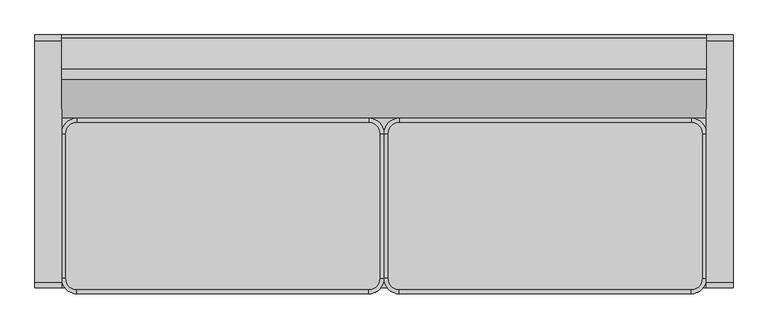
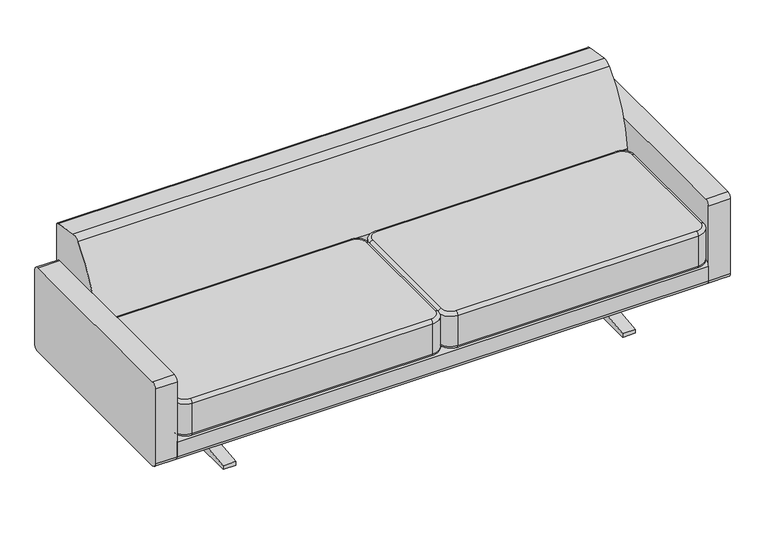
"""IFC4 building model written with IfcOpenShell, lengths in millimetres: furniture geometry."""

from ifc_helpers import new_model, si_unit, point, frame, frame_2d, origin, place, context, project, spatial, polyline, circle_curve, ellipse_curve, trimmed, segment, composite_curve, outline, extrude, source, transform, mapped, element, save
from ifc_brep_helpers import plane_surface, cylinder_surface, revolved_surface, advanced_brep


def furniture_1e4dd1b5(model_context):
    return source(origin(), model_context, "Body", "SolidModel", [
        advanced_brep(
        [(320.675, 153.1137584, 291.1992435), (269.875, 102.3137584, 291.1992435), (269.875, 102.3137584, 419.864682), (320.675, 153.1137584, 419.864682), (320.675, 140.4137584, 278.4992435), (282.575, 102.3137584, 278.4992435), (282.575, 102.3137584, 432.564682), (320.675, 140.4137584, 432.564682), (1295.4, 153.1137584, 419.864682), (1295.4, 153.1137584, 291.1992435), (1295.4, 140.4137584, 278.4992435), (1295.4, 140.4137584, 432.564682), (1346.2, 102.3137584, 419.864682), (1346.2, 102.3137584, 291.1992435), (1333.5, 102.3137584, 278.4992435), (1333.5, 102.3137584, 432.564682), (1346.2, -381.0, 419.864682), (1346.2, -381.0, 291.1992435), (1333.5, -381.0, 278.4992435), (1333.5, -381.0, 432.564682), (1295.4, -431.8, 419.864682), (1295.4, -431.8, 291.1992435), (1295.4, -419.1, 278.4992435), (1295.4, -419.1, 432.564682), (320.675, -431.8, 419.864682), (320.675, -431.8, 291.1992435), (320.675, -419.1, 278.4992435), (320.675, -419.1, 432.564682), (269.875, -381.0, 419.864682), (269.875, -381.0, 291.1992435), (282.575, -381.0, 278.4992435), (282.575, -381.0, 432.564682)],
        [
            (0, 1, circle_curve(frame((320.675, 102.3137584, 291.1992435), z_axis=(0.0, 0.0, 1.0), x_axis=(-1.0, 0.0, 0.0)), 50.8)),
            (1, 2),
            (2, 3, circle_curve(frame((320.675, 102.3137584, 419.864682), z_axis=(0.0, 0.0, -1.0), x_axis=(-1.0, 0.0, 0.0)), 50.8)),
            (3, 0),
            (0, 4, circle_curve(frame((320.675, 140.4137584, 291.1992435), z_axis=(-1.0, 0.0, 0.0), x_axis=(0.0, 1.0, 0.0)), 12.7)),
            (4, 5, circle_curve(frame((320.675, 102.3137584, 278.4992435), z_axis=(0.0, 0.0, 1.0), x_axis=(-1.0, 0.0, 0.0)), 38.1)),
            (5, 1, circle_curve(frame((282.575, 102.3137584, 291.1992435), z_axis=(0.0, 1.0, 0.0), x_axis=(-1.0, 0.0, 0.0)), 12.7)),
            (2, 6, circle_curve(frame((282.575, 102.3137584, 419.864682), z_axis=(0.0, 1.0, 0.0), x_axis=(-1.0, 0.0, 0.0)), 12.7)),
            (6, 7, circle_curve(frame((320.675, 102.3137584, 432.564682), z_axis=(0.0, 0.0, -1.0), x_axis=(-1.0, 0.0, 0.0)), 38.1)),
            (7, 3, circle_curve(frame((320.675, 140.4137584, 419.864682), z_axis=(-1.0, 0.0, 0.0), x_axis=(0.0, 1.0, 0.0)), 12.7)),
            (3, 8),
            (8, 9),
            (9, 0),
            (9, 10, circle_curve(frame((1295.4, 140.4137584, 291.1992435), z_axis=(-1.0, 0.0, 0.0), x_axis=(0.0, 1.0, 0.0)), 12.7)),
            (10, 4),
            (7, 11),
            (11, 8, circle_curve(frame((1295.4, 140.4137584, 419.864682), z_axis=(-1.0, 0.0, 0.0), x_axis=(0.0, 1.0, 0.0)), 12.7)),
            (8, 12, circle_curve(frame((1295.4, 102.3137584, 419.864682), z_axis=(0.0, 0.0, -1.0), x_axis=(0.0, 1.0, 0.0)), 50.8)),
            (12, 13),
            (13, 9, circle_curve(frame((1295.4, 102.3137584, 291.1992435), z_axis=(0.0, 0.0, 1.0), x_axis=(0.0, 1.0, 0.0)), 50.8)),
            (13, 14, circle_curve(frame((1333.5, 102.3137584, 291.1992435), z_axis=(0.0, 1.0, 0.0), x_axis=(1.0, 0.0, 0.0)), 12.7)),
            (14, 10, circle_curve(frame((1295.4, 102.3137584, 278.4992435), z_axis=(0.0, 0.0, 1.0), x_axis=(0.0, 1.0, 0.0)), 38.1)),
            (11, 15, circle_curve(frame((1295.4, 102.3137584, 432.564682), z_axis=(0.0, 0.0, -1.0), x_axis=(0.0, 1.0, 0.0)), 38.1)),
            (15, 12, circle_curve(frame((1333.5, 102.3137584, 419.864682), z_axis=(0.0, 1.0, 0.0), x_axis=(1.0, 0.0, 0.0)), 12.7)),
            (12, 16),
            (16, 17),
            (17, 13),
            (17, 18, circle_curve(frame((1333.5, -381.0, 291.1992435), z_axis=(0.0, 1.0, 0.0), x_axis=(1.0, 0.0, 0.0)), 12.7)),
            (18, 14),
            (15, 19),
            (19, 16, circle_curve(frame((1333.5, -381.0, 419.864682), z_axis=(0.0, 1.0, 0.0), x_axis=(1.0, 0.0, 0.0)), 12.7)),
            (16, 20, circle_curve(frame((1295.4, -381.0, 419.864682), z_axis=(0.0, 0.0, -1.0), x_axis=(1.0, 0.0, 0.0)), 50.8)),
            (20, 21),
            (21, 17, circle_curve(frame((1295.4, -381.0, 291.1992435), z_axis=(0.0, 0.0, 1.0), x_axis=(1.0, 0.0, 0.0)), 50.8)),
            (21, 22, circle_curve(frame((1295.4, -419.1, 291.1992435), z_axis=(1.0, 0.0, 0.0), x_axis=(0.0, -1.0, 0.0)), 12.7)),
            (22, 18, circle_curve(frame((1295.4, -381.0, 278.4992435), z_axis=(0.0, 0.0, 1.0), x_axis=(1.0, 0.0, 0.0)), 38.1)),
            (19, 23, circle_curve(frame((1295.4, -381.0, 432.564682), z_axis=(0.0, 0.0, -1.0), x_axis=(1.0, 0.0, 0.0)), 38.1)),
            (23, 20, circle_curve(frame((1295.4, -419.1, 419.864682), z_axis=(1.0, 0.0, 0.0), x_axis=(0.0, -1.0, 0.0)), 12.7)),
            (20, 24),
            (24, 25),
            (25, 21),
            (25, 26, circle_curve(frame((320.675, -419.1, 291.1992435), z_axis=(1.0, 0.0, 0.0), x_axis=(0.0, -1.0, 0.0)), 12.7)),
            (26, 22),
            (23, 27),
            (27, 24, circle_curve(frame((320.675, -419.1, 419.864682), z_axis=(1.0, 0.0, 0.0), x_axis=(0.0, -1.0, 0.0)), 12.7)),
            (24, 28, circle_curve(frame((320.675, -381.0, 419.864682), z_axis=(0.0, 0.0, -1.0), x_axis=(0.0, -1.0, 0.0)), 50.8)),
            (28, 29),
            (29, 25, circle_curve(frame((320.675, -381.0, 291.1992435), z_axis=(0.0, 0.0, 1.0), x_axis=(0.0, -1.0, 0.0)), 50.8)),
            (29, 30, circle_curve(frame((282.575, -381.0, 291.1992435), z_axis=(0.0, -1.0, 0.0), x_axis=(-1.0, 0.0, 0.0)), 12.7)),
            (30, 26, circle_curve(frame((320.675, -381.0, 278.4992435), z_axis=(0.0, 0.0, 1.0), x_axis=(0.0, -1.0, 0.0)), 38.1)),
            (27, 31, circle_curve(frame((320.675, -381.0, 432.564682), z_axis=(0.0, 0.0, -1.0), x_axis=(0.0, -1.0, 0.0)), 38.1)),
            (31, 28, circle_curve(frame((282.575, -381.0, 419.864682), z_axis=(0.0, -1.0, 0.0), x_axis=(-1.0, 0.0, 0.0)), 12.7)),
            (1, 29),
            (28, 2),
            (5, 30),
            (31, 6),
        ],
        [
            cylinder_surface(frame((320.675, 102.3137584, 432.564682), z_axis=(0.0, 0.0, -1.0), x_axis=(-1.0, 0.0, 0.0)), 50.8),
            revolved_surface(trimmed(ellipse_curve(frame((282.575, 102.3137584, 291.1992435), z_axis=(0.0, -1.0, 0.0), x_axis=(-1.0, 0.0, 0.0)), 12.7, 12.7), [point((269.875, 102.3137584, 291.1992435))], [point((282.575, 102.3137584, 278.4992435))], True, "CARTESIAN"), (320.675, 102.3137584, 432.564682), (0.0, 0.0, -1.0)),
            revolved_surface(trimmed(ellipse_curve(frame((282.575, 102.3137584, 419.864682), z_axis=(0.0, -1.0, 0.0), x_axis=(-1.0, 0.0, 0.0)), 12.7, 12.7), [point((282.575, 102.3137584, 432.564682))], [point((269.875, 102.3137584, 419.864682))], True, "CARTESIAN"), (320.675, 102.3137584, 432.564682), (0.0, 0.0, -1.0)),
            plane_surface(frame((320.675, 153.1137584, 419.864682), z_axis=(0.0, 1.0, 0.0), x_axis=(1.0, 0.0, 0.0))),
            cylinder_surface(frame((320.675, 140.4137584, 291.1992435), z_axis=(-1.0, 0.0, 0.0), x_axis=(0.0, 1.0, 0.0)), 12.7),
            cylinder_surface(frame((320.675, 140.4137584, 419.864682), z_axis=(-1.0, 0.0, 0.0), x_axis=(0.0, 1.0, 0.0)), 12.7),
            cylinder_surface(frame((1295.4, 102.3137584, 432.564682), z_axis=(0.0, 0.0, -1.0), x_axis=(0.0, 1.0, 0.0)), 50.8),
            revolved_surface(trimmed(ellipse_curve(frame((1295.4, 140.4137584, 291.1992435), z_axis=(-1.0, 0.0, 0.0), x_axis=(0.0, 1.0, 0.0)), 12.7, 12.7), [point((1295.4, 153.1137584, 291.1992435))], [point((1295.4, 140.4137584, 278.4992435))], True, "CARTESIAN"), (1295.4, 102.3137584, 432.564682), (0.0, 0.0, -1.0)),
            revolved_surface(trimmed(ellipse_curve(frame((1295.4, 140.4137584, 419.864682), z_axis=(-1.0, 0.0, 0.0), x_axis=(0.0, 1.0, 0.0)), 12.7, 12.7), [point((1295.4, 140.4137584, 432.564682))], [point((1295.4, 153.1137584, 419.864682))], True, "CARTESIAN"), (1295.4, 102.3137584, 432.564682), (0.0, 0.0, -1.0)),
            plane_surface(frame((1346.2, 102.3137584, 419.864682), z_axis=(1.0, 0.0, 0.0), x_axis=(0.0, -1.0, 0.0))),
            cylinder_surface(frame((1333.5, 102.3137584, 291.1992435), z_axis=(0.0, 1.0, 0.0), x_axis=(1.0, 0.0, 0.0)), 12.7),
            cylinder_surface(frame((1333.5, 102.3137584, 419.864682), z_axis=(0.0, 1.0, 0.0), x_axis=(1.0, 0.0, 0.0)), 12.7),
            cylinder_surface(frame((1295.4, -381.0, 432.564682), z_axis=(0.0, 0.0, -1.0), x_axis=(1.0, 0.0, 0.0)), 50.8),
            revolved_surface(trimmed(ellipse_curve(frame((1333.5, -381.0, 291.1992435), z_axis=(0.0, 1.0, 0.0), x_axis=(1.0, 0.0, 0.0)), 12.7, 12.7), [point((1346.2, -381.0, 291.1992435))], [point((1333.5, -381.0, 278.4992435))], True, "CARTESIAN"), (1295.4, -381.0, 432.564682), (0.0, 0.0, -1.0)),
            revolved_surface(trimmed(ellipse_curve(frame((1333.5, -381.0, 419.864682), z_axis=(0.0, 1.0, 0.0), x_axis=(1.0, 0.0, 0.0)), 12.7, 12.7), [point((1333.5, -381.0, 432.564682))], [point((1346.2, -381.0, 419.864682))], True, "CARTESIAN"), (1295.4, -381.0, 432.564682), (0.0, 0.0, -1.0)),
            plane_surface(frame((1295.4, -431.8, 419.864682), z_axis=(0.0, -1.0, 0.0), x_axis=(-1.0, 0.0, 0.0))),
            cylinder_surface(frame((1295.4, -419.1, 291.1992435), z_axis=(1.0, 0.0, 0.0), x_axis=(0.0, -1.0, 0.0)), 12.7),
            cylinder_surface(frame((1295.4, -419.1, 419.864682), z_axis=(1.0, 0.0, 0.0), x_axis=(0.0, -1.0, 0.0)), 12.7),
            cylinder_surface(frame((320.675, -381.0, 432.564682), z_axis=(0.0, 0.0, -1.0), x_axis=(0.0, -1.0, 0.0)), 50.8),
            revolved_surface(trimmed(ellipse_curve(frame((320.675, -419.1, 291.1992435), z_axis=(1.0, 0.0, 0.0), x_axis=(0.0, -1.0, 0.0)), 12.7, 12.7), [point((320.675, -431.8, 291.1992435))], [point((320.675, -419.1, 278.4992435))], True, "CARTESIAN"), (320.675, -381.0, 432.564682), (0.0, 0.0, -1.0)),
            revolved_surface(trimmed(ellipse_curve(frame((320.675, -419.1, 419.864682), z_axis=(1.0, 0.0, 0.0), x_axis=(0.0, -1.0, 0.0)), 12.7, 12.7), [point((320.675, -419.1, 432.564682))], [point((320.675, -431.8, 419.864682))], True, "CARTESIAN"), (320.675, -381.0, 432.564682), (0.0, 0.0, -1.0)),
            plane_surface(frame((269.875, -381.0, 419.864682), z_axis=(-1.0, 0.0, 0.0), x_axis=(0.0, 1.0, 0.0))),
            cylinder_surface(frame((282.575, -381.0, 291.1992435), z_axis=(0.0, -1.0, 0.0), x_axis=(-1.0, 0.0, 0.0)), 12.7),
            cylinder_surface(frame((282.575, -381.0, 419.864682), z_axis=(0.0, -1.0, 0.0), x_axis=(-1.0, 0.0, 0.0)), 12.7),
            plane_surface(frame((282.575, 102.3137584, 432.564682), z_axis=(0.0, 0.0, 1.0), x_axis=(0.0, -1.0, 0.0))),
            plane_surface(frame((282.575, 102.3137584, 278.4992435), z_axis=(0.0, 0.0, -1.0), x_axis=(0.0, 1.0, 0.0))),
        ],
        [
            (0, [[1, 2, 3, 4]]),
            (1, [[-1, 5, 6, 7]]),
            (2, [[-3, 8, 9, 10]]),
            (3, [[-4, 11, 12, 13]]),
            (4, [[-5, -13, 14, 15]]),
            (5, [[-10, 16, 17, -11]]),
            (6, [[-12, 18, 19, 20]]),
            (7, [[-14, -20, 21, 22]]),
            (8, [[-17, 23, 24, -18]]),
            (9, [[-19, 25, 26, 27]]),
            (10, [[-21, -27, 28, 29]]),
            (11, [[-24, 30, 31, -25]]),
            (12, [[-26, 32, 33, 34]]),
            (13, [[-28, -34, 35, 36]]),
            (14, [[-31, 37, 38, -32]]),
            (15, [[-33, 39, 40, 41]]),
            (16, [[-35, -41, 42, 43]]),
            (17, [[-38, 44, 45, -39]]),
            (18, [[-40, 46, 47, 48]]),
            (19, [[-42, -48, 49, 50]]),
            (20, [[-45, 51, 52, -46]]),
            (21, [[-2, 53, -47, 54]]),
            (22, [[-7, 55, -49, -53]]),
            (23, [[-8, -54, -52, 56]]),
            (24, [[-9, -56, -51, -44, -37, -30, -23, -16]]),
            (25, [[-6, -15, -22, -29, -36, -43, -50, -55]]),
        ],
    ),
        advanced_brep(
        [(-755.65, 153.1137584, 291.1992435), (-806.45, 102.3137584, 291.1992435), (-806.45, 102.3137584, 419.864682), (-755.65, 153.1137584, 419.864682), (-755.65, 140.4137584, 278.4992435), (-793.75, 102.3137584, 278.4992435), (-793.75, 102.3137584, 432.564682), (-755.65, 140.4137584, 432.564682), (219.075, 153.1137584, 419.864682), (219.075, 153.1137584, 291.1992435), (219.075, 140.4137584, 278.4992435), (219.075, 140.4137584, 432.564682), (269.875, 102.3137584, 419.864682), (269.875, 102.3137584, 291.1992435), (257.175, 102.3137584, 278.4992435), (257.175, 102.3137584, 432.564682), (269.875, -381.0, 419.864682), (269.875, -381.0, 291.1992435), (257.175, -381.0, 278.4992435), (257.175, -381.0, 432.564682), (219.075, -431.8, 419.864682), (219.075, -431.8, 291.1992435), (219.075, -419.1, 278.4992435), (219.075, -419.1, 432.564682), (-755.65, -431.8, 419.864682), (-755.65, -431.8, 291.1992435), (-755.65, -419.1, 278.4992435), (-755.65, -419.1, 432.564682), (-806.45, -381.0, 419.864682), (-806.45, -381.0, 291.1992435), (-793.75, -381.0, 278.4992435), (-793.75, -381.0, 432.564682)],
        [
            (0, 1, circle_curve(frame((-755.65, 102.3137584, 291.1992435), z_axis=(0.0, 0.0, 1.0), x_axis=(-1.0, 0.0, 0.0)), 50.8)),
            (1, 2),
            (2, 3, circle_curve(frame((-755.65, 102.3137584, 419.864682), z_axis=(0.0, 0.0, -1.0), x_axis=(-1.0, 0.0, 0.0)), 50.8)),
            (3, 0),
            (0, 4, circle_curve(frame((-755.65, 140.4137584, 291.1992435), z_axis=(-1.0, 0.0, 0.0), x_axis=(0.0, 1.0, 0.0)), 12.7)),
            (4, 5, circle_curve(frame((-755.65, 102.3137584, 278.4992435), z_axis=(0.0, 0.0, 1.0), x_axis=(-1.0, 0.0, 0.0)), 38.1)),
            (5, 1, circle_curve(frame((-793.75, 102.3137584, 291.1992435), z_axis=(0.0, 1.0, 0.0), x_axis=(-1.0, 0.0, 0.0)), 12.7)),
            (2, 6, circle_curve(frame((-793.75, 102.3137584, 419.864682), z_axis=(0.0, 1.0, 0.0), x_axis=(-1.0, 0.0, 0.0)), 12.7)),
            (6, 7, circle_curve(frame((-755.65, 102.3137584, 432.564682), z_axis=(0.0, 0.0, -1.0), x_axis=(-1.0, 0.0, 0.0)), 38.1)),
            (7, 3, circle_curve(frame((-755.65, 140.4137584, 419.864682), z_axis=(-1.0, 0.0, 0.0), x_axis=(0.0, 1.0, 0.0)), 12.7)),
            (3, 8),
            (8, 9),
            (9, 0),
            (9, 10, circle_curve(frame((219.075, 140.4137584, 291.1992435), z_axis=(-1.0, 0.0, 0.0), x_axis=(0.0, 1.0, 0.0)), 12.7)),
            (10, 4),
            (7, 11),
            (11, 8, circle_curve(frame((219.075, 140.4137584, 419.864682), z_axis=(-1.0, 0.0, 0.0), x_axis=(0.0, 1.0, 0.0)), 12.7)),
            (8, 12, circle_curve(frame((219.075, 102.3137584, 419.864682), z_axis=(0.0, 0.0, -1.0), x_axis=(0.0, 1.0, 0.0)), 50.8)),
            (12, 13),
            (13, 9, circle_curve(frame((219.075, 102.3137584, 291.1992435), z_axis=(0.0, 0.0, 1.0), x_axis=(0.0, 1.0, 0.0)), 50.8)),
            (13, 14, circle_curve(frame((257.175, 102.3137584, 291.1992435), z_axis=(0.0, 1.0, 0.0), x_axis=(1.0, 0.0, 0.0)), 12.7)),
            (14, 10, circle_curve(frame((219.075, 102.3137584, 278.4992435), z_axis=(0.0, 0.0, 1.0), x_axis=(0.0, 1.0, 0.0)), 38.1)),
            (11, 15, circle_curve(frame((219.075, 102.3137584, 432.564682), z_axis=(0.0, 0.0, -1.0), x_axis=(0.0, 1.0, 0.0)), 38.1)),
            (15, 12, circle_curve(frame((257.175, 102.3137584, 419.864682), z_axis=(0.0, 1.0, 0.0), x_axis=(1.0, 0.0, 0.0)), 12.7)),
            (12, 16),
            (16, 17),
            (17, 13),
            (17, 18, circle_curve(frame((257.175, -381.0, 291.1992435), z_axis=(0.0, 1.0, 0.0), x_axis=(1.0, 0.0, 0.0)), 12.7)),
            (18, 14),
            (15, 19),
            (19, 16, circle_curve(frame((257.175, -381.0, 419.864682), z_axis=(0.0, 1.0, 0.0), x_axis=(1.0, 0.0, 0.0)), 12.7)),
            (16, 20, circle_curve(frame((219.075, -381.0, 419.864682), z_axis=(0.0, 0.0, -1.0), x_axis=(1.0, 0.0, 0.0)), 50.8)),
            (20, 21),
            (21, 17, circle_curve(frame((219.075, -381.0, 291.1992435), z_axis=(0.0, 0.0, 1.0), x_axis=(1.0, 0.0, 0.0)), 50.8)),
            (21, 22, circle_curve(frame((219.075, -419.1, 291.1992435), z_axis=(1.0, 0.0, 0.0), x_axis=(0.0, -1.0, 0.0)), 12.7)),
            (22, 18, circle_curve(frame((219.075, -381.0, 278.4992435), z_axis=(0.0, 0.0, 1.0), x_axis=(1.0, 0.0, 0.0)), 38.1)),
            (19, 23, circle_curve(frame((219.075, -381.0, 432.564682), z_axis=(0.0, 0.0, -1.0), x_axis=(1.0, 0.0, 0.0)), 38.1)),
            (23, 20, circle_curve(frame((219.075, -419.1, 419.864682), z_axis=(1.0, 0.0, 0.0), x_axis=(0.0, -1.0, 0.0)), 12.7)),
            (20, 24),
            (24, 25),
            (25, 21),
            (25, 26, circle_curve(frame((-755.65, -419.1, 291.1992435), z_axis=(1.0, 0.0, 0.0), x_axis=(0.0, -1.0, 0.0)), 12.7)),
            (26, 22),
            (23, 27),
            (27, 24, circle_curve(frame((-755.65, -419.1, 419.864682), z_axis=(1.0, 0.0, 0.0), x_axis=(0.0, -1.0, 0.0)), 12.7)),
            (24, 28, circle_curve(frame((-755.65, -381.0, 419.864682), z_axis=(0.0, 0.0, -1.0), x_axis=(0.0, -1.0, 0.0)), 50.8)),
            (28, 29),
            (29, 25, circle_curve(frame((-755.65, -381.0, 291.1992435), z_axis=(0.0, 0.0, 1.0), x_axis=(0.0, -1.0, 0.0)), 50.8)),
            (29, 30, circle_curve(frame((-793.75, -381.0, 291.1992435), z_axis=(0.0, -1.0, 0.0), x_axis=(-1.0, 0.0, 0.0)), 12.7)),
            (30, 26, circle_curve(frame((-755.65, -381.0, 278.4992435), z_axis=(0.0, 0.0, 1.0), x_axis=(0.0, -1.0, 0.0)), 38.1)),
            (27, 31, circle_curve(frame((-755.65, -381.0, 432.564682), z_axis=(0.0, 0.0, -1.0), x_axis=(0.0, -1.0, 0.0)), 38.1)),
            (31, 28, circle_curve(frame((-793.75, -381.0, 419.864682), z_axis=(0.0, -1.0, 0.0), x_axis=(-1.0, 0.0, 0.0)), 12.7)),
            (1, 29),
            (28, 2),
            (5, 30),
            (31, 6),
        ],
        [
            cylinder_surface(frame((-755.65, 102.3137584, 432.564682), z_axis=(0.0, 0.0, -1.0), x_axis=(-1.0, 0.0, 0.0)), 50.8),
            revolved_surface(trimmed(ellipse_curve(frame((-793.75, 102.3137584, 291.1992435), z_axis=(0.0, -1.0, 0.0), x_axis=(-1.0, 0.0, 0.0)), 12.7, 12.7), [point((-806.45, 102.3137584, 291.1992435))], [point((-793.75, 102.3137584, 278.4992435))], True, "CARTESIAN"), (-755.65, 102.3137584, 432.564682), (0.0, 0.0, -1.0)),
            revolved_surface(trimmed(ellipse_curve(frame((-793.75, 102.3137584, 419.864682), z_axis=(0.0, -1.0, 0.0), x_axis=(-1.0, 0.0, 0.0)), 12.7, 12.7), [point((-793.75, 102.3137584, 432.564682))], [point((-806.45, 102.3137584, 419.864682))], True, "CARTESIAN"), (-755.65, 102.3137584, 432.564682), (0.0, 0.0, -1.0)),
            plane_surface(frame((-755.65, 153.1137584, 419.864682), z_axis=(0.0, 1.0, 0.0), x_axis=(1.0, 0.0, 0.0))),
            cylinder_surface(frame((-755.65, 140.4137584, 291.1992435), z_axis=(-1.0, 0.0, 0.0), x_axis=(0.0, 1.0, 0.0)), 12.7),
            cylinder_surface(frame((-755.65, 140.4137584, 419.864682), z_axis=(-1.0, 0.0, 0.0), x_axis=(0.0, 1.0, 0.0)), 12.7),
            cylinder_surface(frame((219.075, 102.3137584, 432.564682), z_axis=(0.0, 0.0, -1.0), x_axis=(0.0, 1.0, 0.0)), 50.8),
            revolved_surface(trimmed(ellipse_curve(frame((219.075, 140.4137584, 291.1992435), z_axis=(-1.0, 0.0, 0.0), x_axis=(0.0, 1.0, 0.0)), 12.7, 12.7), [point((219.075, 153.1137584, 291.1992435))], [point((219.075, 140.4137584, 278.4992435))], True, "CARTESIAN"), (219.075, 102.3137584, 432.564682), (0.0, 0.0, -1.0)),
            revolved_surface(trimmed(ellipse_curve(frame((219.075, 140.4137584, 419.864682), z_axis=(-1.0, 0.0, 0.0), x_axis=(0.0, 1.0, 0.0)), 12.7, 12.7), [point((219.075, 140.4137584, 432.564682))], [point((219.075, 153.1137584, 419.864682))], True, "CARTESIAN"), (219.075, 102.3137584, 432.564682), (0.0, 0.0, -1.0)),
            plane_surface(frame((269.875, 102.3137584, 419.864682), z_axis=(1.0, 0.0, 0.0), x_axis=(0.0, -1.0, 0.0))),
            cylinder_surface(frame((257.175, 102.3137584, 291.1992435), z_axis=(0.0, 1.0, 0.0), x_axis=(1.0, 0.0, 0.0)), 12.7),
            cylinder_surface(frame((257.175, 102.3137584, 419.864682), z_axis=(0.0, 1.0, 0.0), x_axis=(1.0, 0.0, 0.0)), 12.7),
            cylinder_surface(frame((219.075, -381.0, 432.564682), z_axis=(0.0, 0.0, -1.0), x_axis=(1.0, 0.0, 0.0)), 50.8),
            revolved_surface(trimmed(ellipse_curve(frame((257.175, -381.0, 291.1992435), z_axis=(0.0, 1.0, 0.0), x_axis=(1.0, 0.0, 0.0)), 12.7, 12.7), [point((269.875, -381.0, 291.1992435))], [point((257.175, -381.0, 278.4992435))], True, "CARTESIAN"), (219.075, -381.0, 432.564682), (0.0, 0.0, -1.0)),
            revolved_surface(trimmed(ellipse_curve(frame((257.175, -381.0, 419.864682), z_axis=(0.0, 1.0, 0.0), x_axis=(1.0, 0.0, 0.0)), 12.7, 12.7), [point((257.175, -381.0, 432.564682))], [point((269.875, -381.0, 419.864682))], True, "CARTESIAN"), (219.075, -381.0, 432.564682), (0.0, 0.0, -1.0)),
            plane_surface(frame((219.075, -431.8, 419.864682), z_axis=(0.0, -1.0, 0.0), x_axis=(-1.0, 0.0, 0.0))),
            cylinder_surface(frame((219.075, -419.1, 291.1992435), z_axis=(1.0, 0.0, 0.0), x_axis=(0.0, -1.0, 0.0)), 12.7),
            cylinder_surface(frame((219.075, -419.1, 419.864682), z_axis=(1.0, 0.0, 0.0), x_axis=(0.0, -1.0, 0.0)), 12.7),
            cylinder_surface(frame((-755.65, -381.0, 432.564682), z_axis=(0.0, 0.0, -1.0), x_axis=(0.0, -1.0, 0.0)), 50.8),
            revolved_surface(trimmed(ellipse_curve(frame((-755.65, -419.1, 291.1992435), z_axis=(1.0, 0.0, 0.0), x_axis=(0.0, -1.0, 0.0)), 12.7, 12.7), [point((-755.65, -431.8, 291.1992435))], [point((-755.65, -419.1, 278.4992435))], True, "CARTESIAN"), (-755.65, -381.0, 432.564682), (0.0, 0.0, -1.0)),
            revolved_surface(trimmed(ellipse_curve(frame((-755.65, -419.1, 419.864682), z_axis=(1.0, 0.0, 0.0), x_axis=(0.0, -1.0, 0.0)), 12.7, 12.7), [point((-755.65, -419.1, 432.564682))], [point((-755.65, -431.8, 419.864682))], True, "CARTESIAN"), (-755.65, -381.0, 432.564682), (0.0, 0.0, -1.0)),
            plane_surface(frame((-806.45, -381.0, 419.864682), z_axis=(-1.0, 0.0, 0.0), x_axis=(0.0, 1.0, 0.0))),
            cylinder_surface(frame((-793.75, -381.0, 291.1992435), z_axis=(0.0, -1.0, 0.0), x_axis=(-1.0, 0.0, 0.0)), 12.7),
            cylinder_surface(frame((-793.75, -381.0, 419.864682), z_axis=(0.0, -1.0, 0.0), x_axis=(-1.0, 0.0, 0.0)), 12.7),
            plane_surface(frame((-793.75, 102.3137584, 432.564682), z_axis=(0.0, 0.0, 1.0), x_axis=(0.0, -1.0, 0.0))),
            plane_surface(frame((-793.75, 102.3137584, 278.4992435), z_axis=(0.0, 0.0, -1.0), x_axis=(0.0, 1.0, 0.0))),
        ],
        [
            (0, [[1, 2, 3, 4]]),
            (1, [[-1, 5, 6, 7]]),
            (2, [[-3, 8, 9, 10]]),
            (3, [[-4, 11, 12, 13]]),
            (4, [[-5, -13, 14, 15]]),
            (5, [[-10, 16, 17, -11]]),
            (6, [[-12, 18, 19, 20]]),
            (7, [[-14, -20, 21, 22]]),
            (8, [[-17, 23, 24, -18]]),
            (9, [[-19, 25, 26, 27]]),
            (10, [[-21, -27, 28, 29]]),
            (11, [[-24, 30, 31, -25]]),
            (12, [[-26, 32, 33, 34]]),
            (13, [[-28, -34, 35, 36]]),
            (14, [[-31, 37, 38, -32]]),
            (15, [[-33, 39, 40, 41]]),
            (16, [[-35, -41, 42, 43]]),
            (17, [[-38, 44, 45, -39]]),
            (18, [[-40, 46, 47, 48]]),
            (19, [[-42, -48, 49, 50]]),
            (20, [[-45, 51, 52, -46]]),
            (21, [[-2, 53, -47, 54]]),
            (22, [[-7, 55, -49, -53]]),
            (23, [[-8, -54, -52, 56]]),
            (24, [[-9, -56, -51, -44, -37, -30, -23, -16]]),
            (25, [[-6, -15, -22, -29, -36, -43, -50, -55]]),
        ],
    ),
        extrude(outline(composite_curve([segment(polyline([(393.1969754, 0.0), (38.1, 0.0), (-316.9969754, 0.0), (-316.9969754, 16.2401822), (-83.5204743, 42.7918602)]), True, "CONTINUOUS"), segment(trimmed(circle_curve(frame_2d((-83.5204743, 71.7339548)), 28.9420946), [point((-83.5204743, 42.7918602))], [point((-54.5783797, 71.7339548))], True, "CARTESIAN"), True, "CONTINUOUS"), segment(polyline([(-54.5783797, 71.7339548), (-54.5783797, 136.8214548)]), True, "CONTINUOUS"), segment(trimmed(circle_curve(frame_2d((-83.5204743, 136.8214548)), 28.9420946), [point((-54.5783797, 136.8214548))], [point((-83.5204743, 165.7635494))], True, "CARTESIAN"), True, "CONTINUOUS"), segment(polyline([(-83.5204743, 165.7635494), (-133.399025, 165.7635494), (-133.399025, 178.564682), (-30.0000311, 178.564682), (-30.0000311, 70.7911959)]), True, "CONTINUOUS"), segment(trimmed(circle_curve(frame_2d((-1.0732953, 71.7339548)), 28.9420946), [point((-30.0000311, 70.7911959))], [point((-1.0732953, 42.7918602))], True, "CARTESIAN"), True, "CONTINUOUS"), segment(polyline([(-1.0732953, 42.7918602), (38.1, 42.7918602), (77.2732953, 42.7918602)]), True, "CONTINUOUS"), segment(trimmed(circle_curve(frame_2d((77.2732953, 71.7339548)), 28.9420946), [point((77.2732953, 42.7918602))], [point((106.2000311, 70.7911959))], True, "CARTESIAN"), True, "CONTINUOUS"), segment(polyline([(106.2000311, 70.7911959), (106.2000311, 178.564682), (209.599025, 178.564682), (209.599025, 165.7635494), (159.7204743, 165.7635494)]), True, "CONTINUOUS"), segment(trimmed(circle_curve(frame_2d((159.7204743, 136.8214548)), 28.9420946), [point((159.7204743, 165.7635494))], [point((130.7783797, 136.8214548))], True, "CARTESIAN"), True, "CONTINUOUS"), segment(polyline([(130.7783797, 136.8214548), (130.7783797, 71.7339548)]), True, "CONTINUOUS"), segment(trimmed(circle_curve(frame_2d((159.7204743, 71.7339548)), 28.9420946), [point((130.7783797, 71.7339548))], [point((159.7204743, 42.7918602))], True, "CARTESIAN"), True, "CONTINUOUS"), segment(polyline([(159.7204743, 42.7918602), (393.1969754, 16.2401822), (393.1969754, 0.0)]), True, "CONTINUOUS")], self_intersect=False)), frame((-565.15, 0.0, 0.0), z_axis=(1.0, 0.0, 0.0), x_axis=(0.0, 1.0, 0.0)), (0.0, 0.0, 1.0), 50.8),
        extrude(outline(composite_curve([segment(polyline([(393.1969754, 0.0), (38.1, 0.0), (-316.9969754, 0.0), (-316.9969754, 16.2401822), (-83.5204743, 42.7918602)]), True, "CONTINUOUS"), segment(trimmed(circle_curve(frame_2d((-83.5204743, 71.7339548)), 28.9420946), [point((-83.5204743, 42.7918602))], [point((-54.5783797, 71.7339548))], True, "CARTESIAN"), True, "CONTINUOUS"), segment(polyline([(-54.5783797, 71.7339548), (-54.5783797, 136.8214548)]), True, "CONTINUOUS"), segment(trimmed(circle_curve(frame_2d((-83.5204743, 136.8214548)), 28.9420946), [point((-54.5783797, 136.8214548))], [point((-83.5204743, 165.7635494))], True, "CARTESIAN"), True, "CONTINUOUS"), segment(polyline([(-83.5204743, 165.7635494), (-133.399025, 165.7635494), (-133.399025, 178.564682), (-30.0000311, 178.564682), (-30.0000311, 70.7911959)]), True, "CONTINUOUS"), segment(trimmed(circle_curve(frame_2d((-1.0732953, 71.7339548)), 28.9420946), [point((-30.0000311, 70.7911959))], [point((-1.0732953, 42.7918602))], True, "CARTESIAN"), True, "CONTINUOUS"), segment(polyline([(-1.0732953, 42.7918602), (38.1, 42.7918602), (77.2732953, 42.7918602)]), True, "CONTINUOUS"), segment(trimmed(circle_curve(frame_2d((77.2732953, 71.7339548)), 28.9420946), [point((77.2732953, 42.7918602))], [point((106.2000311, 70.7911959))], True, "CARTESIAN"), True, "CONTINUOUS"), segment(polyline([(106.2000311, 70.7911959), (106.2000311, 178.564682), (209.599025, 178.564682), (209.599025, 165.7635494), (159.7204743, 165.7635494)]), True, "CONTINUOUS"), segment(trimmed(circle_curve(frame_2d((159.7204743, 136.8214548)), 28.9420946), [point((159.7204743, 165.7635494))], [point((130.7783797, 136.8214548))], True, "CARTESIAN"), True, "CONTINUOUS"), segment(polyline([(130.7783797, 136.8214548), (130.7783797, 71.7339548)]), True, "CONTINUOUS"), segment(trimmed(circle_curve(frame_2d((159.7204743, 71.7339548)), 28.9420946), [point((130.7783797, 71.7339548))], [point((159.7204743, 42.7918602))], True, "CARTESIAN"), True, "CONTINUOUS"), segment(polyline([(159.7204743, 42.7918602), (393.1969754, 16.2401822), (393.1969754, 0.0)]), True, "CONTINUOUS")], self_intersect=False)), frame((1054.1, 0.0, 0.0), z_axis=(1.0, 0.0, 0.0), x_axis=(0.0, 1.0, 0.0)), (0.0, 0.0, 1.0), 50.8),
        extrude(outline(composite_curve([segment(polyline([(431.8, 278.4992435), (204.8844187, 278.4992435)]), True, "CONTINUOUS"), segment(trimmed(circle_curve(frame_2d((204.8844187, 330.9070425)), 52.4077991), [point((204.8844187, 278.4992435))], [point((155.6371966, 312.9825196))], False, "CARTESIAN"), True, "CONTINUOUS"), segment(trimmed(circle_curve(frame_2d((711.2495727, 366.9575196)), 558.2279222), [point((155.6371966, 312.9825196))], [point((155.6371966, 420.9325196))], False, "CARTESIAN"), True, "CONTINUOUS"), segment(trimmed(circle_curve(frame_2d((608.6040303, 376.9801204)), 455.0942384), [point((155.6371966, 420.9325196))], [point((284.4512428, 696.4104511))], False, "CARTESIAN"), True, "CONTINUOUS"), segment(trimmed(circle_curve(frame_2d((315.2580629, 666.0524437)), 43.2512286), [point((284.4512428, 696.4104511))], [point((319.2980572, 709.1145758))], False, "CARTESIAN"), True, "CONTINUOUS"), segment(trimmed(circle_curve(frame_2d((259.3151568, 69.7593349)), 642.1628083), [point((319.2980572, 709.1145758))], [point((421.8764201, 691.0055888))], False, "CARTESIAN"), True, "CONTINUOUS"), segment(trimmed(circle_curve(frame_2d((421.8764201, 681.0820089)), 9.9235799), [point((421.8764201, 691.0055888))], [point((431.8, 681.0820089))], False, "CARTESIAN"), True, "CONTINUOUS"), segment(polyline([(431.8, 681.0820089), (431.8, 278.4992435)]), True, "CONTINUOUS")], self_intersect=False)), frame((-806.45, 0.0, 0.0), z_axis=(1.0, 0.0, 0.0), x_axis=(0.0, 1.0, 0.0)), (0.0, 0.0, 1.0), 2152.65),
        extrude(outline(composite_curve([segment(polyline([(-393.4719322, 278.4992435), (431.8, 278.4992435), (431.8, 197.614682)]), True, "CONTINUOUS"), segment(trimmed(circle_curve(frame_2d((412.75, 197.614682)), 19.05), [point((431.8, 197.614682))], [point((412.75, 178.564682))], False, "CARTESIAN"), True, "CONTINUOUS"), segment(polyline([(412.75, 178.564682), (-393.4719322, 178.564682)]), True, "CONTINUOUS"), segment(trimmed(circle_curve(frame_2d((-393.4719322, 197.614682)), 19.05), [point((-393.4719322, 178.564682))], [point((-412.5219322, 197.614682))], False, "CARTESIAN"), True, "CONTINUOUS"), segment(polyline([(-412.5219322, 197.614682), (-412.5219322, 259.4492435)]), True, "CONTINUOUS"), segment(trimmed(circle_curve(frame_2d((-393.4719322, 259.4492435)), 19.05), [point((-412.5219322, 259.4492435))], [point((-393.4719322, 278.4992435))], False, "CARTESIAN"), True, "CONTINUOUS")], self_intersect=False)), frame((-806.45, 0.0, 0.0), z_axis=(1.0, 0.0, 0.0), x_axis=(0.0, 1.0, 0.0)), (0.0, 0.0, 1.0), 2152.65),
        extrude(outline(composite_curve([segment(polyline([(431.8, 518.5600991), (431.8, 197.614682)]), True, "CONTINUOUS"), segment(trimmed(circle_curve(frame_2d((412.75, 197.614682)), 19.05), [point((431.8, 197.614682))], [point((412.75, 178.564682))], False, "CARTESIAN"), True, "CONTINUOUS"), segment(polyline([(412.75, 178.564682), (-393.4719322, 178.564682)]), True, "CONTINUOUS"), segment(trimmed(circle_curve(frame_2d((-393.4719322, 197.614682)), 19.05), [point((-393.4719322, 178.564682))], [point((-412.5219322, 197.614682))], False, "CARTESIAN"), True, "CONTINUOUS"), segment(polyline([(-412.5219322, 197.614682), (-412.5219322, 518.5600991)]), True, "CONTINUOUS"), segment(trimmed(circle_curve(frame_2d((-393.4719322, 518.5600991)), 19.05), [point((-412.5219322, 518.5600991))], [point((-393.4719322, 537.6100991))], False, "CARTESIAN"), True, "CONTINUOUS"), segment(polyline([(-393.4719322, 537.6100991), (412.75, 537.6100991)]), True, "CONTINUOUS"), segment(trimmed(circle_curve(frame_2d((412.75, 518.5600991)), 19.05), [point((412.75, 537.6100991))], [point((431.8, 518.5600991))], False, "CARTESIAN"), True, "CONTINUOUS")], self_intersect=False)), frame((1346.2, 0.0, 0.0), z_axis=(1.0, 0.0, 0.0), x_axis=(0.0, 1.0, 0.0)), (0.0, 0.0, 1.0), 88.9),
        extrude(outline(composite_curve([segment(polyline([(431.8, 518.5600991), (431.8, 197.614682)]), True, "CONTINUOUS"), segment(trimmed(circle_curve(frame_2d((412.75, 197.614682)), 19.05), [point((431.8, 197.614682))], [point((412.75, 178.564682))], False, "CARTESIAN"), True, "CONTINUOUS"), segment(polyline([(412.75, 178.564682), (-393.4719322, 178.564682)]), True, "CONTINUOUS"), segment(trimmed(circle_curve(frame_2d((-393.4719322, 197.614682)), 19.05), [point((-393.4719322, 178.564682))], [point((-412.5219322, 197.614682))], False, "CARTESIAN"), True, "CONTINUOUS"), segment(polyline([(-412.5219322, 197.614682), (-412.5219322, 518.5600991)]), True, "CONTINUOUS"), segment(trimmed(circle_curve(frame_2d((-393.4719322, 518.5600991)), 19.05), [point((-412.5219322, 518.5600991))], [point((-393.4719322, 537.6100991))], False, "CARTESIAN"), True, "CONTINUOUS"), segment(polyline([(-393.4719322, 537.6100991), (412.75, 537.6100991)]), True, "CONTINUOUS"), segment(trimmed(circle_curve(frame_2d((412.75, 518.5600991)), 19.05), [point((412.75, 537.6100991))], [point((431.8, 518.5600991))], False, "CARTESIAN"), True, "CONTINUOUS")], self_intersect=False)), frame((-895.35, 0.0, 0.0), z_axis=(1.0, 0.0, 0.0), x_axis=(0.0, 1.0, 0.0)), (0.0, 0.0, 1.0), 88.9),
    ])


if __name__ == "__main__":
    model = new_model("IFC4")
    model_context = context("Model", 3, world=origin())
    ifc_project = project(units=[si_unit("LENGTHUNIT", "METRE", prefix="MILLI")], contexts=[model_context])
    site = spatial("IfcSite", under=ifc_project)
    building = spatial("IfcBuilding", under=site)
    placement = place(None, origin())
    furniture_shape = furniture_1e4dd1b5(model_context)
    element("IfcFurniture", 1, at=placement, inside=building, context=model_context, shape_type="MappedRepresentation", body=[
        mapped(furniture_shape, transform((0.0, 0.0, 0.0), x_axis=(1.0, 0.0, 0.0), y_axis=(0.0, 1.0, 0.0), z_axis=(0.0, 0.0, 1.0))),
    ])
    save(model, "model.ifc")
